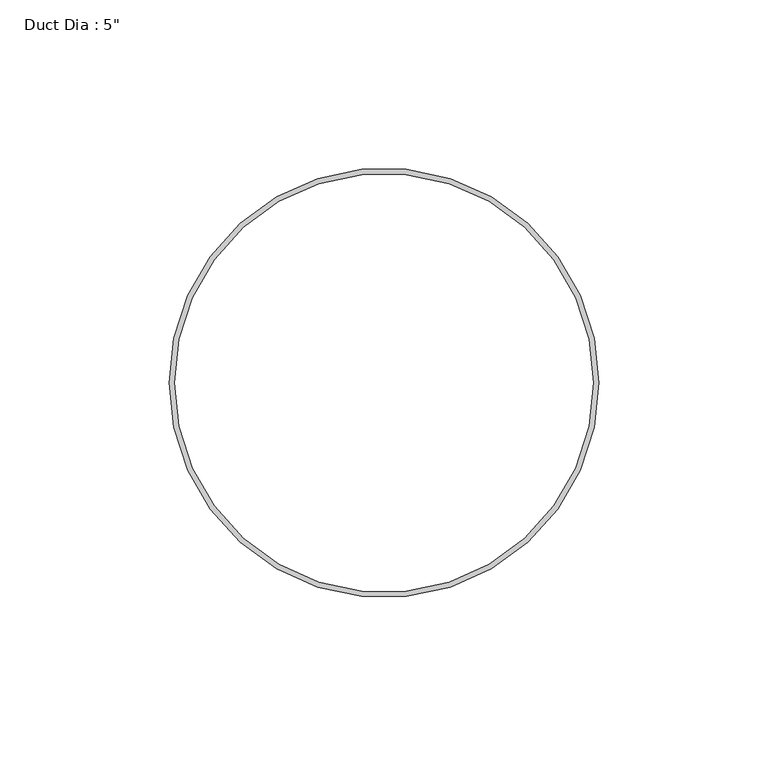
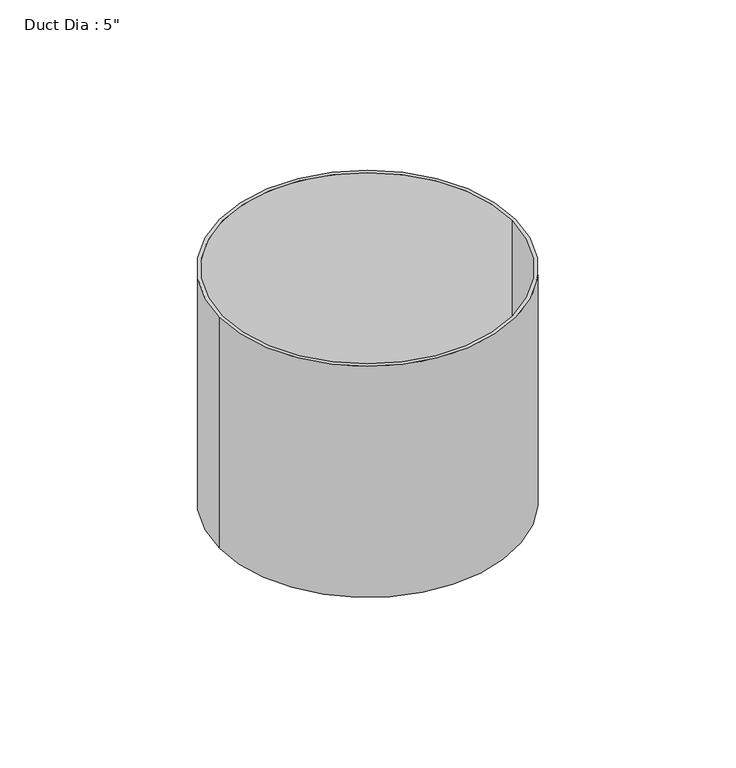
"""IFC4 building model written with IfcOpenShell, lengths in millimetres: proxy geometry."""

from ifc_helpers import new_model, si_unit, point, origin, origin_with_axes, origin_2d, place, context, project, spatial, circle_curve, trimmed, segment, composite_curve, outline, extrude, source, transform, mapped, element, save


def proxy_2aee5261(model_context):
    return source(origin(), model_context, "Body", "SweptSolid", [
        extrude(outline(composite_curve([segment(trimmed(circle_curve(origin_2d(), 63.5), [point((-63.5, 0.0))], [point((63.5, 0.0))], False, "CARTESIAN"), True, "CONTINUOUS"), segment(trimmed(circle_curve(origin_2d(), 63.5), [point((63.5, 0.0))], [point((-63.5, 0.0))], False, "CARTESIAN"), True, "CONTINUOUS")], self_intersect=False), holes=[composite_curve([segment(trimmed(circle_curve(origin_2d(), 61.9125), [point((-61.9125, 0.0))], [point((61.9125, 0.0))], True, "CARTESIAN"), True, "CONTINUOUS"), segment(trimmed(circle_curve(origin_2d(), 61.9125), [point((61.9125, 0.0))], [point((-61.9125, 0.0))], True, "CARTESIAN"), True, "CONTINUOUS")], self_intersect=False)]), origin_with_axes(), (0.0, 0.0, 1.0), 104.775),
    ])


if __name__ == "__main__":
    model = new_model("IFC4")
    model_context = context("Model", 3, world=origin())
    ifc_project = project(units=[si_unit("LENGTHUNIT", "METRE", prefix="MILLI")], contexts=[model_context])
    site = spatial("IfcSite", under=ifc_project)
    building = spatial("IfcBuilding", under=site)
    placement = place(None, origin())
    proxy_shape = proxy_2aee5261(model_context)
    element("IfcBuildingElementProxy", 1, Name="Duct Dia : 5\"", ObjectType="Duct Dia : 5\"", at=placement, inside=building, context=model_context, shape_type="MappedRepresentation", body=[
        mapped(proxy_shape, transform((0.0, 0.0, 0.0), x_axis=(1.0, 0.0, 0.0), y_axis=(0.0, 1.0, 0.0), z_axis=(0.0, 0.0, 1.0))),
    ])
    save(model, "model.ifc")
